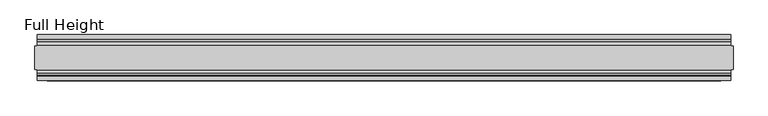
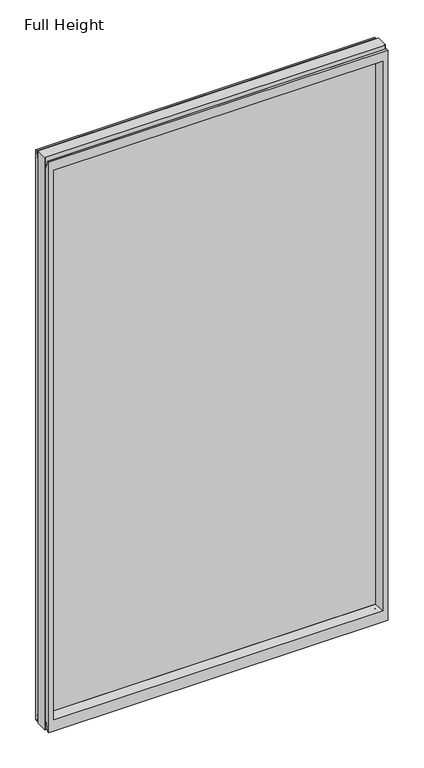
"""IFC4 building model written with IfcOpenShell, lengths in millimetres: plate geometry, Full Height."""

from ifc_helpers import new_model, si_unit, frame, origin, place, context, project, spatial, polyline, circle_curve, outline, extrude, source, transform, mapped, element, save
from ifc_brep_helpers import plane_surface, cylinder_surface, revolved_surface, advanced_brep


def full_height_5596adf7(model_context):
    return source(origin(), model_context, "Body", "SolidModel", [
        advanced_brep(
        [(758.2958333, 25.146, 2688.336), (753.7238333, 25.146, 2688.336), (753.7238333, 26.67, 2688.336), (-753.7238333, 26.67, 2688.336), (-753.7238333, 25.146, 2688.336), (-758.2958333, 25.146, 2688.336), (-758.2958333, -25.146, 2688.336), (-753.7238333, -25.146, 2688.336), (-753.7238333, -26.67, 2688.336), (753.7238333, -26.67, 2688.336), (753.7238333, -25.146, 2688.336), (758.2958333, -25.146, 2688.336), (758.2958333, 25.146, 0.0), (758.2958333, -25.146, 0.0), (753.7238333, -25.146, 0.0), (753.7238333, -26.67, 0.0), (-753.7238333, -26.67, 0.0), (-753.7238333, -25.146, 0.0), (-758.2958333, -25.146, 0.0), (-758.2958333, 25.146, 0.0), (-753.7238333, 25.146, 0.0), (-753.7238333, 26.67, 0.0), (753.7238333, 26.67, 0.0), (753.7238333, 25.146, 0.0), (-753.7238333, 40.7946686, 0.0), (-753.7238333, 50.0, 0.0), (753.7238333, 50.0, 0.0), (753.7238333, 40.7946686, 0.0), (-753.7238333, 26.67, 36.4542208), (753.7238333, 26.67, 36.4542208), (-753.7238333, -26.67, 36.4542208), (-753.7238333, -34.2686707, 36.8568054), (-753.7238333, -36.9464913, 11.6561909), (-753.7238333, -39.043018, 8.6755976), (-753.7238333, -39.5246686, 7.9074686), (-753.7238333, -39.5246686, 1.27), (-753.7238333, -40.7946686, 0.0), (-753.7238333, -50.0, 0.0), (-753.7238333, -50.0, 2679.192), (-753.7238333, -39.9371387, 2679.192), (-753.7238333, -39.1867152, 2678.5623199), (-753.7238333, -34.2321175, 2650.4634004), (-753.7238333, -26.67, 2651.125), (-753.7238333, 39.5246686, 1.27), (-753.7238333, 39.5246686, 7.9074686), (-753.7238333, 39.043018, 8.6755976), (-753.7238333, 36.9464913, 11.6561909), (-753.7238333, 34.2686707, 36.8568054), (-753.7238333, 26.67, 2651.125), (-753.7238333, 34.2321175, 2650.4634004), (-753.7238333, 39.1867152, 2678.5623199), (-753.7238333, 39.9371387, 2679.192), (-753.7238333, 50.0, 2679.192), (753.7238333, -50.0, 0.0), (753.7238333, -50.0, 2679.192), (-731.6258333, -50.0, 2634.615), (731.6258333, -50.0, 2634.615), (731.6258333, -50.0, 52.8372208), (-731.6258333, -50.0, 52.8372208), (753.7238333, 50.0, 2679.192), (-731.6258333, 50.0, 52.8372208), (731.6258333, 50.0, 52.8372208), (731.6258333, 50.0, 2634.615), (-731.6258333, 50.0, 2634.615), (-725.6568333, -6.1006519, 58.8062208), (-725.6568333, -6.1006519, 2628.646), (-725.6568333, 6.1006519, 2628.646), (-725.6568333, 6.1006519, 58.8062208), (725.6568333, 6.1006519, 58.8062208), (725.6568333, 6.1006519, 2628.646), (725.6568333, -6.1006519, 2628.646), (725.6568333, -6.1006519, 58.8062208), (753.7238333, -40.7946686, 0.0), (753.7238333, -39.5246686, 1.27), (753.7238333, -39.5246686, 7.9074686), (753.7238333, -39.043018, 8.6755976), (753.7238333, -36.9464913, 11.6561909), (753.7238333, -34.2686707, 36.8568054), (753.7238333, -26.67, 36.4542208), (753.7238333, -26.67, 2651.125), (753.7238333, -34.2321175, 2650.4634004), (753.7238333, -39.1867152, 2678.5623199), (753.7238333, -39.9371387, 2679.192), (753.7238333, 39.9371387, 2679.192), (753.7238333, 39.1867152, 2678.5623199), (753.7238333, 34.2321175, 2650.4634004), (753.7238333, 26.67, 2651.125), (753.7238333, 34.2686707, 36.8568054), (753.7238333, 36.9464913, 11.6561909), (753.7238333, 39.043018, 8.6755976), (753.7238333, 39.5246686, 7.9074686), (753.7238333, 39.5246686, 1.27)],
        [
            (0, 1),
            (1, 2),
            (2, 3),
            (3, 4),
            (4, 5),
            (5, 6),
            (6, 7),
            (7, 8),
            (8, 9),
            (9, 10),
            (10, 11),
            (11, 0),
            (12, 13),
            (13, 14),
            (14, 15),
            (15, 16),
            (16, 17),
            (17, 18),
            (18, 19),
            (19, 20),
            (20, 21),
            (21, 22),
            (22, 23),
            (23, 12),
            (23, 1),
            (0, 12),
            (10, 14),
            (13, 11),
            (5, 19),
            (18, 6),
            (17, 7),
            (4, 20),
            (24, 25),
            (25, 26),
            (26, 27),
            (27, 24),
            (21, 28),
            (28, 29),
            (29, 22),
            (16, 30),
            (30, 31, circle_curve(frame((-753.7238333, -30.48, 36.4542208), z_axis=(1.0, 0.0, 0.0), x_axis=(0.0, -1.0, 0.0)), 3.81)),
            (31, 32),
            (32, 33, circle_curve(frame((-753.7238333, -40.6770502, 12.0526006), z_axis=(-1.0, 0.0, 0.0), x_axis=(0.0, -1.0, 0.0)), 3.751561)),
            (33, 34, circle_curve(frame((-753.7238333, -38.671343, 7.9074686), z_axis=(1.0, 0.0, 0.0), x_axis=(0.0, -1.0, 0.0)), 0.8533256)),
            (34, 35),
            (35, 36, circle_curve(frame((-753.7238333, -40.7946686, 1.27), z_axis=(-1.0, 0.0, 0.0), x_axis=(0.0, -1.0, 0.0)), 1.27)),
            (36, 37),
            (37, 38),
            (38, 39),
            (39, 40, circle_curve(frame((-753.7238333, -39.9371387, 2678.43), z_axis=(-1.0, 0.0, 0.0), x_axis=(0.0, -1.0, 0.0)), 0.762)),
            (40, 41),
            (41, 42, circle_curve(frame((-753.7238333, -30.48, 2651.125), z_axis=(1.0, 0.0, 0.0), x_axis=(0.0, -1.0, 0.0)), 3.81)),
            (42, 8),
            (24, 43, circle_curve(frame((-753.7238333, 40.7946686, 1.27), z_axis=(-1.0, 0.0, 0.0), x_axis=(0.0, -1.0, 0.0)), 1.27)),
            (43, 44),
            (44, 45, circle_curve(frame((-753.7238333, 38.671343, 7.9074686), z_axis=(1.0, 0.0, 0.0), x_axis=(0.0, -1.0, 0.0)), 0.8533256)),
            (45, 46, circle_curve(frame((-753.7238333, 40.6770502, 12.0526006), z_axis=(-1.0, 0.0, 0.0), x_axis=(0.0, -1.0, 0.0)), 3.751561)),
            (46, 47),
            (47, 28, circle_curve(frame((-753.7238333, 30.48, 36.4542208), z_axis=(1.0, 0.0, 0.0), x_axis=(0.0, -1.0, 0.0)), 3.81)),
            (3, 48),
            (48, 49, circle_curve(frame((-753.7238333, 30.48, 2651.125), z_axis=(1.0, 0.0, 0.0), x_axis=(0.0, -1.0, 0.0)), 3.81)),
            (49, 50),
            (50, 51, circle_curve(frame((-753.7238333, 39.9371387, 2678.43), z_axis=(-1.0, 0.0, 0.0), x_axis=(0.0, -1.0, 0.0)), 0.762)),
            (51, 52),
            (52, 25),
            (37, 53),
            (53, 54),
            (54, 38),
            (55, 56),
            (56, 57),
            (57, 58),
            (58, 55),
            (52, 59),
            (59, 26),
            (60, 61),
            (61, 62),
            (62, 63),
            (63, 60),
            (58, 64),
            (64, 65),
            (65, 55),
            (63, 66),
            (66, 67),
            (67, 60),
            (61, 68),
            (68, 69),
            (69, 62),
            (70, 71),
            (71, 57),
            (56, 70),
            (53, 72),
            (72, 73, circle_curve(frame((753.7238333, -40.7946686, 1.27), z_axis=(1.0, 0.0, 0.0), x_axis=(0.0, -1.0, 0.0)), 1.27)),
            (73, 74),
            (74, 75, circle_curve(frame((753.7238333, -38.671343, 7.9074686), z_axis=(-1.0, 0.0, 0.0), x_axis=(0.0, -1.0, 0.0)), 0.8533256)),
            (75, 76, circle_curve(frame((753.7238333, -40.6770502, 12.0526006), z_axis=(1.0, 0.0, 0.0), x_axis=(0.0, -1.0, 0.0)), 3.751561)),
            (76, 77),
            (77, 78, circle_curve(frame((753.7238333, -30.48, 36.4542208), z_axis=(-1.0, 0.0, 0.0), x_axis=(0.0, -1.0, 0.0)), 3.81)),
            (78, 15),
            (9, 79),
            (79, 80, circle_curve(frame((753.7238333, -30.48, 2651.125), z_axis=(-1.0, 0.0, 0.0), x_axis=(0.0, -1.0, 0.0)), 3.81)),
            (80, 81),
            (81, 82, circle_curve(frame((753.7238333, -39.9371387, 2678.43), z_axis=(1.0, 0.0, 0.0), x_axis=(0.0, -1.0, 0.0)), 0.762)),
            (82, 54),
            (59, 83),
            (83, 84, circle_curve(frame((753.7238333, 39.9371387, 2678.43), z_axis=(1.0, 0.0, 0.0), x_axis=(0.0, -1.0, 0.0)), 0.762)),
            (84, 85),
            (85, 86, circle_curve(frame((753.7238333, 30.48, 2651.125), z_axis=(-1.0, 0.0, 0.0), x_axis=(0.0, -1.0, 0.0)), 3.81)),
            (86, 2),
            (29, 87, circle_curve(frame((753.7238333, 30.48, 36.4542208), z_axis=(-1.0, 0.0, 0.0), x_axis=(0.0, -1.0, 0.0)), 3.81)),
            (87, 88),
            (88, 89, circle_curve(frame((753.7238333, 40.6770502, 12.0526006), z_axis=(1.0, 0.0, 0.0), x_axis=(0.0, -1.0, 0.0)), 3.751561)),
            (89, 90, circle_curve(frame((753.7238333, 38.671343, 7.9074686), z_axis=(-1.0, 0.0, 0.0), x_axis=(0.0, -1.0, 0.0)), 0.8533256)),
            (90, 91),
            (91, 27, circle_curve(frame((753.7238333, 40.7946686, 1.27), z_axis=(1.0, 0.0, 0.0), x_axis=(0.0, -1.0, 0.0)), 1.27)),
            (91, 43),
            (90, 44),
            (89, 45),
            (88, 46),
            (87, 47),
            (78, 30),
            (31, 77),
            (76, 32),
            (75, 33),
            (74, 34),
            (73, 35),
            (72, 36),
            (71, 64),
            (67, 68),
            (86, 48),
            (85, 49),
            (84, 50),
            (83, 51),
            (69, 66),
            (65, 70),
            (82, 39),
            (81, 40),
            (80, 41),
            (79, 42),
            (65, 66),
            (69, 70),
            (71, 68),
            (67, 64),
        ],
        [
            plane_surface(frame((753.7238333, 25.146, 2688.336), z_axis=(0.0, 0.0, 1.0), x_axis=(-1.0, 0.0, 0.0))),
            plane_surface(frame((753.7238333, 25.146, 0.0), z_axis=(0.0, 0.0, -1.0), x_axis=(1.0, 0.0, 0.0))),
            plane_surface(frame((758.2958333, 25.146, 2688.336), z_axis=(0.0, 1.0, 0.0), x_axis=(0.0, 0.0, -1.0))),
            plane_surface(frame((753.7238333, -25.146, 2688.336), z_axis=(0.0, -1.0, 0.0), x_axis=(0.0, 0.0, -1.0))),
            plane_surface(frame((758.2958333, -25.146, 2688.336), z_axis=(1.0, 0.0, 0.0), x_axis=(0.0, 0.0, -1.0))),
            plane_surface(frame((-758.2958333, 25.146, 2688.336), z_axis=(-1.0, 0.0, 0.0), x_axis=(0.0, 0.0, -1.0))),
            plane_surface(frame((-758.2958333, -25.146, 2688.336), z_axis=(0.0, -1.0, 0.0), x_axis=(0.0, 0.0, -1.0))),
            plane_surface(frame((-753.7238333, 25.146, 2688.336), z_axis=(0.0, 1.0, 0.0), x_axis=(0.0, 0.0, -1.0))),
            plane_surface(frame((-753.7238333, 50.0, 0.0), z_axis=(0.0, 0.0, -1.0), x_axis=(1.0, 0.0, 0.0))),
            plane_surface(frame((-753.7238333, 26.67, 36.4542208), z_axis=(0.0, 1.0, 0.0), x_axis=(1.0, 0.0, 0.0))),
            plane_surface(frame((-753.7238333, 50.0, 2646.4006), z_axis=(-1.0, 0.0, 0.0), x_axis=(0.0, 0.0, -1.0))),
            plane_surface(frame((-753.7238333, -50.0, 2646.4006), z_axis=(0.0, -1.0, 0.0), x_axis=(0.0, 0.0, -1.0))),
            plane_surface(frame((-731.6258333, 50.0, 2646.4006), z_axis=(0.0, 1.0, 0.0), x_axis=(0.0, 0.0, -1.0))),
            plane_surface(frame((-731.6258333, -50.0, 2646.4006), z_axis=(0.9908822943533606, -0.13473039277393942, 0.0), x_axis=(0.0, 0.0, -1.0))),
            plane_surface(frame((-725.6568333, 6.1006519, 2646.4006), z_axis=(0.9908822943533612, 0.13473039277393595, 0.0), x_axis=(0.0, 0.0, -1.0))),
            plane_surface(frame((731.6258333, 50.0, 2646.4006), z_axis=(-0.9908822943533602, 0.1347303927739433, 0.0), x_axis=(0.0, 0.0, -1.0))),
            plane_surface(frame((725.6568333, -6.1006519, 2646.4006), z_axis=(-0.990882294353356, -0.13473039277397456, 0.0), x_axis=(0.0, 0.0, -1.0))),
            plane_surface(frame((753.7238333, -50.0, 2646.4006), z_axis=(1.0, 0.0, 0.0), x_axis=(0.0, 0.0, -1.0))),
            cylinder_surface(frame((753.7238333, 40.7946686, 1.27), z_axis=(-1.0, 0.0, 0.0), x_axis=(0.0, -1.0, 0.0)), 1.27),
            plane_surface(frame((-753.7238333, 39.5246686, 1.27), z_axis=(0.0, -1.0, 0.0), x_axis=(1.0, 0.0, 0.0))),
            revolved_surface(polyline([(753.7238333, 37.8180174, 7.9074686), (-753.7238333, 37.8180174, 7.9074686)]), (753.7238333, 38.671343, 7.9074686), (1.0, 0.0, 0.0)),
            cylinder_surface(frame((753.7238333, 40.6770502, 12.0526006), z_axis=(-1.0, 0.0, 0.0), x_axis=(0.0, -1.0, 0.0)), 3.751561),
            plane_surface(frame((-753.7238333, 36.9464913, 11.6561909), z_axis=(0.0, -0.9944017560866673, -0.10566526151840337), x_axis=(1.0, 0.0, 0.0))),
            plane_surface(frame((-753.7238333, -26.67, 0.0), z_axis=(0.0, -1.0, 0.0), x_axis=(1.0, 0.0, 0.0))),
            plane_surface(frame((-753.7238333, -34.2686707, 36.8568054), z_axis=(0.0, 0.9944017560866222, -0.10566526151882621), x_axis=(1.0, 0.0, 0.0))),
            cylinder_surface(frame((753.7238333, -40.6770502, 12.0526006), z_axis=(-1.0, 0.0, 0.0), x_axis=(0.0, -1.0, 0.0)), 3.751561),
            revolved_surface(polyline([(753.7238333, -39.5246686, 7.9074686), (-753.7238333, -39.5246686, 7.9074686)]), (753.7238333, -38.671343, 7.9074686), (1.0, 0.0, 0.0)),
            plane_surface(frame((-753.7238333, -39.5246686, 7.9074686), z_axis=(0.0, 1.0, 0.0), x_axis=(1.0, 0.0, 0.0))),
            cylinder_surface(frame((753.7238333, -40.7946686, 1.27), z_axis=(-1.0, 0.0, 0.0), x_axis=(0.0, -1.0, 0.0)), 1.27),
            plane_surface(frame((-753.7238333, -40.7946686, 0.0), z_axis=(0.0, 0.0, -1.0), x_axis=(1.0, 0.0, 0.0))),
            plane_surface(frame((-753.7238333, -50.0, 52.8372208), z_axis=(0.0, -0.13473039277394736, 0.9908822943533596), x_axis=(1.0, 0.0, 0.0))),
            plane_surface(frame((-753.7238333, 6.1006519, 58.8062208), z_axis=(0.0, 0.13473039277399934, 0.9908822943533526), x_axis=(1.0, 0.0, 0.0))),
            revolved_surface(polyline([(753.7238333, 26.67, 36.4542208), (-753.7238333, 26.67, 36.4542208)]), (753.7238333, 30.48, 36.4542208), (1.0, 0.0, 0.0)),
            revolved_surface(polyline([(753.7238333, -34.29, 36.4542208), (-753.7238333, -34.29, 36.4542208)]), (753.7238333, -30.48, 36.4542208), (1.0, 0.0, 0.0)),
            plane_surface(frame((-753.7238333, 26.67, 2688.336), z_axis=(0.0, 1.0, 0.0), x_axis=(1.0, 0.0, 0.0))),
            revolved_surface(polyline([(753.7238333000001, 26.67, 2651.125), (-753.7238333, 26.67, 2651.125)]), (-758.2958333, 30.48, 2651.125), (1.0, 0.0, 0.0)),
            plane_surface(frame((-753.7238333, 34.2321175, 2650.4634004), z_axis=(0.0, -0.9848077530113105, 0.1736481776720208), x_axis=(1.0, 0.0, 0.0))),
            cylinder_surface(frame((-758.2958333, 39.9371387, 2678.43), z_axis=(-1.0, 0.0, 0.0), x_axis=(0.0, -1.0, 0.0)), 0.762),
            plane_surface(frame((-753.7238333, 39.9371387, 2679.192), z_axis=(0.0, 0.0, 1.0), x_axis=(1.0, 0.0, 0.0))),
            plane_surface(frame((-753.7238333, 50.0, 2634.615), z_axis=(0.0, 0.1347303927734498, -0.9908822943534272), x_axis=(1.0, 0.0, 0.0))),
            plane_surface(frame((-753.7238333, -6.1006519, 2628.646), z_axis=(0.0, -0.1347303927724766, -0.9908822943535597), x_axis=(1.0, 0.0, 0.0))),
            plane_surface(frame((-753.7238333, -50.0, 2679.192), z_axis=(0.0, 0.0, 1.0), x_axis=(1.0, 0.0, 0.0))),
            cylinder_surface(frame((-758.2958333, -39.9371387, 2678.43), z_axis=(-1.0, 0.0, 0.0), x_axis=(0.0, -1.0, 0.0)), 0.762),
            plane_surface(frame((-753.7238333, -39.1867152, 2678.5623199), z_axis=(0.0, 0.9848077530103839, 0.17364817767727592), x_axis=(1.0, 0.0, 0.0))),
            revolved_surface(polyline([(753.7238333000001, -34.29, 2651.125), (-753.7238333, -34.29, 2651.125)]), (-758.2958333, -30.48, 2651.125), (1.0, 0.0, 0.0)),
            plane_surface(frame((-753.7238333, -26.67, 2651.125), z_axis=(0.0, -1.0, 0.0), x_axis=(1.0, 0.0, 0.0))),
            plane_surface(frame((-753.7238333, 6.1006519, 2628.646), z_axis=(0.0, 0.0, -1.0), x_axis=(1.0, 0.0, 0.0))),
            plane_surface(frame((-753.7238333, -6.1006519, 58.8062208), z_axis=(0.0, 0.0, 1.0), x_axis=(1.0, 0.0, 0.0))),
            plane_surface(frame((-725.6568333, -6.1006519, 2646.4006), z_axis=(1.0, 0.0, 0.0), x_axis=(0.0, 0.0, -1.0))),
            plane_surface(frame((725.6568333, 6.1006519, 2646.4006), z_axis=(-1.0, 0.0, 0.0), x_axis=(0.0, 0.0, -1.0))),
        ],
        [
            (0, [[1, 2, 3, 4, 5, 6, 7, 8, 9, 10, 11, 12]]),
            (1, [[13, 14, 15, 16, 17, 18, 19, 20, 21, 22, 23, 24]]),
            (2, [[25, -1, 26, -24]]),
            (3, [[-11, 27, -14, 28]]),
            (4, [[-12, -28, -13, -26]]),
            (5, [[-6, 29, -19, 30]]),
            (6, [[31, -7, -30, -18]]),
            (7, [[-5, 32, -20, -29]]),
            (8, [[33, 34, 35, 36]]),
            (9, [[37, 38, 39, -22]]),
            (10, [[-17, 40, 41, 42, 43, 44, 45, 46, 47, 48, 49, 50, 51, 52, 53, -8, -31]]),
            (10, [[-33, 54, 55, 56, 57, 58, 59, -37, -21, -32, -4, 60, 61, 62, 63, 64, 65]]),
            (11, [[-48, 66, 67, 68], [69, 70, 71, 72]]),
            (12, [[-65, 73, 74, -34], [75, 76, 77, 78]]),
            (13, [[-72, 79, 80, 81]]),
            (14, [[-78, 82, 83, 84]]),
            (15, [[-76, 85, 86, 87]]),
            (16, [[88, 89, -70, 90]]),
            (17, [[-67, 91, 92, 93, 94, 95, 96, 97, 98, -15, -27, -10, 99, 100, 101, 102, 103]]),
            (17, [[-74, 104, 105, 106, 107, 108, -2, -25, -23, -39, 109, 110, 111, 112, 113, 114, -35]]),
            (18, [[-54, -36, -114, 115]]),
            (19, [[-55, -115, -113, 116]]),
            (20, [[-56, -116, -112, 117]]),
            (21, [[-57, -117, -111, 118]]),
            (22, [[-58, -118, -110, 119]]),
            (23, [[-40, -16, -98, 120]]),
            (24, [[-42, 121, -96, 122]]),
            (25, [[-43, -122, -95, 123]]),
            (26, [[-44, -123, -94, 124]]),
            (27, [[-45, -124, -93, 125]]),
            (28, [[-46, -125, -92, 126]]),
            (29, [[-47, -126, -91, -66]]),
            (30, [[-71, -89, 127, -79]]),
            (31, [[-75, -84, 128, -85]]),
            (32, [[-59, -119, -109, -38]]),
            (33, [[-41, -120, -97, -121]]),
            (34, [[-60, -3, -108, 129]]),
            (35, [[-61, -129, -107, 130]]),
            (36, [[-62, -130, -106, 131]]),
            (37, [[-63, -131, -105, 132]]),
            (38, [[-64, -132, -104, -73]]),
            (39, [[-77, -87, 133, -82]]),
            (40, [[-69, -81, 134, -90]]),
            (41, [[-49, -68, -103, 135]]),
            (42, [[-50, -135, -102, 136]]),
            (43, [[-51, -136, -101, 137]]),
            (44, [[-52, -137, -100, 138]]),
            (45, [[-53, -138, -99, -9]]),
            (46, [[-134, 139, -133, 140]]),
            (47, [[-127, 141, -128, 142]]),
            (48, [[-83, -139, -80, -142]]),
            (49, [[-88, -140, -86, -141]]),
        ],
    ),
        extrude(outline(polyline([(-725.6568333, 4.826), (725.6568333, 4.826), (725.6568333, -4.826), (-725.6568333, -4.826), (-725.6568333, 4.826)])), frame((0.0, 0.0, 58.8062208), z_axis=(0.0, 0.0, 1.0), x_axis=(1.0, 0.0, 0.0)), (0.0, 0.0, 1.0), 2569.8397792),
    ])


if __name__ == "__main__":
    model = new_model("IFC4")
    model_context = context("Model", 3, world=origin())
    ifc_project = project(units=[si_unit("LENGTHUNIT", "METRE", prefix="MILLI")], contexts=[model_context])
    site = spatial("IfcSite", under=ifc_project)
    building = spatial("IfcBuilding", under=site)
    placement = place(None, origin())
    full_height_shape = full_height_5596adf7(model_context)
    element("IfcPlate", 1, ObjectType="Full Height", at=placement, inside=building, context=model_context, shape_type="MappedRepresentation", body=[
        mapped(full_height_shape, transform((0.0, 0.0, 0.0), x_axis=(1.0, 0.0, 0.0), y_axis=(0.0, 1.0, 0.0), z_axis=(0.0, 0.0, 1.0))),
    ])
    save(model, "model.ifc")
